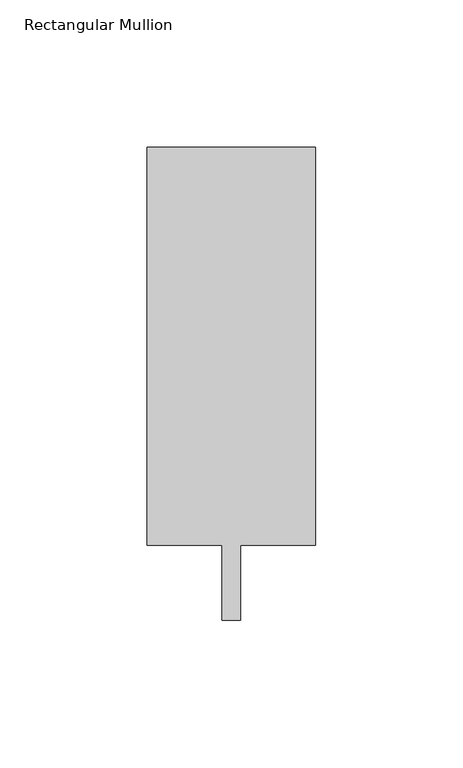
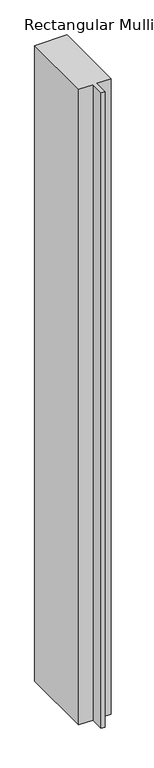
"""IFC4 building model written with IfcOpenShell, lengths in millimetres: member geometry, Rectangular Mullion."""

from ifc_helpers import new_model, si_unit, frame, origin, place, context, project, spatial, polyline, outline, extrude, source, transform, mapped, element, save


def rectangular_mullion_162bc61d(model_context):
    return source(origin(), model_context, "Body", "SweptSolid", [
        extrude(outline(polyline([(28.575, 147.6375), (28.575, 12.7), (3.175, 12.7), (3.175, -12.7), (-3.175, -12.7), (-3.175, 12.7), (-28.575, 12.7), (-28.575, 147.6375), (28.575, 147.6375)])), frame((0.0, 0.0, -1190.625), z_axis=(0.0, 0.0, 1.0), x_axis=(1.0, 0.0, 0.0)), (0.0, 0.0, 1.0), 1190.625),
    ])


if __name__ == "__main__":
    model = new_model("IFC4")
    model_context = context("Model", 3, world=origin())
    ifc_project = project(units=[si_unit("LENGTHUNIT", "METRE", prefix="MILLI")], contexts=[model_context])
    site = spatial("IfcSite", under=ifc_project)
    building = spatial("IfcBuilding", under=site)
    placement = place(None, origin())
    rectangular_mullion_shape = rectangular_mullion_162bc61d(model_context)
    element("IfcMember", 1, ObjectType="Rectangular Mullion", at=placement, inside=building, context=model_context, shape_type="MappedRepresentation", body=[
        mapped(rectangular_mullion_shape, transform((0.0, 0.0, 0.0), x_axis=(1.0, 0.0, 0.0), y_axis=(0.0, 1.0, 0.0), z_axis=(0.0, 0.0, 1.0))),
    ])
    save(model, "model.ifc")
